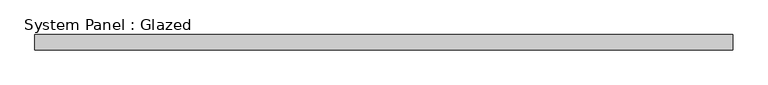
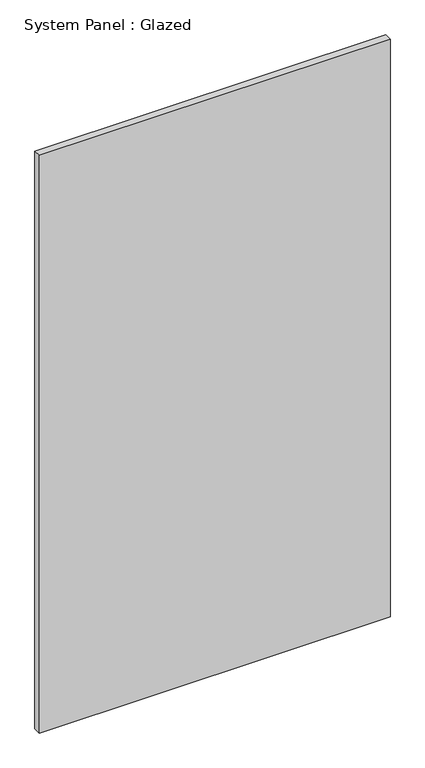
"""IFC4 building model written with IfcOpenShell, lengths in millimetres: plate geometry, System Panel : Glazed."""

from ifc_helpers import new_model, si_unit, origin, origin_with_axes, place, context, project, spatial, polyline, outline, extrude, source, transform, mapped, element, save


def system_panel_glazed_a1146b5d(model_context):
    return source(origin(), model_context, "Body", "SweptSolid", [
        extrude(outline(polyline([(577.375, 19.05), (-577.375, 19.05), (-577.375, 44.45), (577.375, 44.45), (577.375, 19.05)])), origin_with_axes(), (0.0, 0.0, 1.0), 2010.7536198),
    ])


if __name__ == "__main__":
    model = new_model("IFC4")
    model_context = context("Model", 3, world=origin())
    ifc_project = project(units=[si_unit("LENGTHUNIT", "METRE", prefix="MILLI")], contexts=[model_context])
    site = spatial("IfcSite", under=ifc_project)
    building = spatial("IfcBuilding", under=site)
    placement = place(None, origin())
    system_panel_glazed_shape = system_panel_glazed_a1146b5d(model_context)
    element("IfcPlate", 1, ObjectType="System Panel : Glazed", at=placement, inside=building, context=model_context, shape_type="MappedRepresentation", body=[
        mapped(system_panel_glazed_shape, transform((0.0, 0.0, 0.0), x_axis=(1.0, 0.0, 0.0), y_axis=(0.0, 1.0, 0.0), z_axis=(0.0, 0.0, 1.0))),
    ])
    save(model, "model.ifc")
